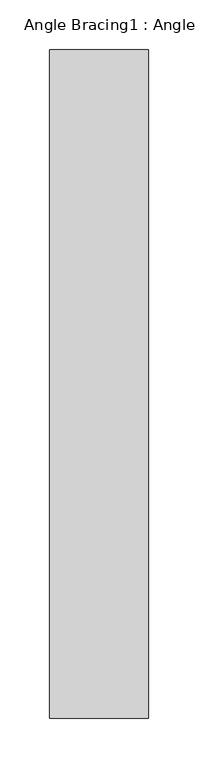
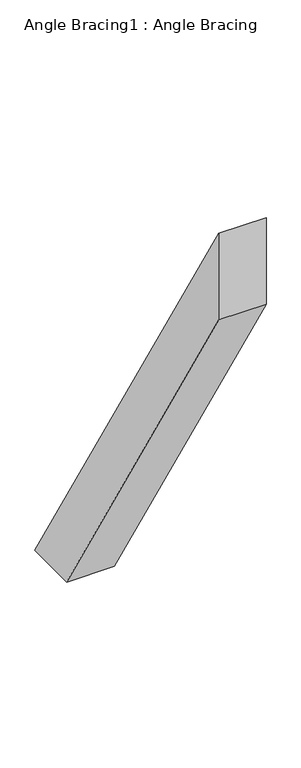
"""IFC4 building model written with IfcOpenShell, lengths in millimetres: proxy geometry, Angle Bracing1 : Angle Bracing."""

import ifcopenshell
import ifcopenshell.guid

model = None  # the IFC model being written
_history = None  # IfcOwnerHistory: only IFC2X3 demands one
_inside = {}  # id of a spatial element -> (the spatial element, [elements in it])
_under = {}  # id of a project, library or spatial element -> (it, [spatial elements below it])
_declared = {}  # id of a project -> (the project, [libraries it declares])
_typed = {}  # id of a type object -> (the type object, [elements of that type])
_made_of = {}  # id of a material, layer set ... -> (it, [elements and type objects made of it])


def new_model(schema):
    """Start an empty IFC model of exactly this schema.

    Asked for "IFC4X3", IfcOpenShell would pick the latest addendum, in which some entities
    have other attributes; the version numbers below select the first issue.
    IFC2X3 requires an IfcOwnerHistory on every rooted entity: one is made here for all.
    """
    global model, _history
    if schema == "IFC4X3":
        model = ifcopenshell.file(schema_version=(4, 3, 0, 0))
    else:
        model = ifcopenshell.file(schema=schema)
    _inside.clear()
    _under.clear()
    _declared.clear()
    _typed.clear()
    _made_of.clear()
    _history = None
    if model.schema == "IFC2X3":
        org = make("IfcOrganization", Name="unknown")
        user = make(
            "IfcPersonAndOrganization",
            ThePerson=make("IfcPerson", FamilyName="unknown"),
            TheOrganization=org,
        )
        app = make(
            "IfcApplication",
            ApplicationDeveloper=org,
            Version="unknown",
            ApplicationFullName="unknown",
            ApplicationIdentifier="unknown",
        )
        _history = make(
            "IfcOwnerHistory",
            OwningUser=user,
            OwningApplication=app,
            ChangeAction="ADDED",
            CreationDate=0,
        )
    return model


def make(cls, **values):
    """One entity of the class cls with the attributes given. An attribute that is None is left unset."""
    return model.create_entity(
        cls, **{name: value for name, value in values.items() if value is not None}
    )


def rooted(cls, **values):
    """An entity with a GlobalId (a new one), such as an element, a storey or a relation."""
    return make(cls, GlobalId=ifcopenshell.guid.new(), OwnerHistory=_history, **values)


def si_unit(unit_type, name, prefix=None):
    """IfcSIUnit, for example si_unit("LENGTHUNIT", "METRE", prefix="MILLI")."""
    return make("IfcSIUnit", UnitType=unit_type, Prefix=prefix, Name=name)


def assignment(units):
    """IfcUnitAssignment: the units of a project."""
    return None if units is None else make("IfcUnitAssignment", Units=units)


def point(xyz):
    """IfcCartesianPoint."""
    return None if xyz is None else make("IfcCartesianPoint", Coordinates=xyz)


def direction(xyz):
    """IfcDirection."""
    return None if xyz is None else make("IfcDirection", DirectionRatios=xyz)


def frame(location, z_axis=None, x_axis=None):
    """IfcAxis2Placement3D, a coordinate frame: its origin and axes. An axis left out is left unset."""
    return make(
        "IfcAxis2Placement3D",
        Location=point(location),
        Axis=direction(z_axis),
        RefDirection=direction(x_axis),
    )


def origin():
    """The frame at (0, 0, 0) with its axes left unset."""
    return frame((0.0, 0.0, 0.0))


def place(relative_to, where):
    """IfcLocalPlacement: puts the frame where relative to a parent placement (None: the world)."""
    return make(
        "IfcLocalPlacement", PlacementRelTo=relative_to, RelativePlacement=where
    )


def context(
    kind, dimensions, precision=None, world=None, true_north=None, identifier=None
):
    """IfcGeometricRepresentationContext, for example the 3D "Model" context."""
    return make(
        "IfcGeometricRepresentationContext",
        ContextIdentifier=identifier,
        ContextType=kind,
        CoordinateSpaceDimension=dimensions,
        Precision=precision,
        WorldCoordinateSystem=world,
        TrueNorth=true_north,
    )


def project(units=None, contexts=None):
    """IfcProject with its units and contexts."""
    return rooted(
        "IfcProject",
        Name="project",
        RepresentationContexts=contexts,
        UnitsInContext=assignment(units),
    )


def spatial(cls, under=None, at=None, **own):
    """A site, building, storey or space (cls), placed at a placement, below another one or the project."""
    s = rooted(cls, ObjectPlacement=at, **own)
    if under is not None:
        _under.setdefault(under.id(), (under, []))[1].append(s)
    return s


def polyline(points):
    """IfcPolyline through the points."""
    return make("IfcPolyline", Points=[point(p) for p in points])


def outline(outer, holes=None, kind="AREA"):
    """IfcArbitraryClosedProfileDef: a profile drawn as a closed curve; with holes, ...WithVoids."""
    if holes is None:
        return make("IfcArbitraryClosedProfileDef", ProfileType=kind, OuterCurve=outer)
    return make(
        "IfcArbitraryProfileDefWithVoids",
        ProfileType=kind,
        OuterCurve=outer,
        InnerCurves=holes,
    )


def extrude(swept, where, along, depth):
    """IfcExtrudedAreaSolid: the profile swept, set in the frame where, extruded along a direction by depth."""
    return make(
        "IfcExtrudedAreaSolid",
        SweptArea=swept,
        Position=where,
        ExtrudedDirection=direction(along),
        Depth=depth,
    )


def shape(context_of_items, identifier, shape_type, items):
    """IfcShapeRepresentation: the items that make up one representation, for example the "Body"."""
    return make(
        "IfcShapeRepresentation",
        ContextOfItems=context_of_items,
        RepresentationIdentifier=identifier,
        RepresentationType=shape_type,
        Items=items,
    )


def source(mapping_origin, context_of_items, identifier, shape_type, items):
    """IfcRepresentationMap: a shape defined once, which mapped items show again and again."""
    return make(
        "IfcRepresentationMap",
        MappingOrigin=mapping_origin,
        MappedRepresentation=shape(context_of_items, identifier, shape_type, items),
    )


def transform(
    local_origin,
    x_axis=None,
    y_axis=None,
    z_axis=None,
    scale=None,
    scale2=None,
    scale3=None,
    uniform=True,
):
    """IfcCartesianTransformationOperator3D, or its non-uniform kind. x_axis, y_axis, z_axis: its Axis1, 2, 3."""
    if uniform:
        return make(
            "IfcCartesianTransformationOperator3D",
            Axis1=direction(x_axis),
            Axis2=direction(y_axis),
            LocalOrigin=point(local_origin),
            Scale=scale,
            Axis3=direction(z_axis),
        )
    return make(
        "IfcCartesianTransformationOperator3DnonUniform",
        Axis1=direction(x_axis),
        Axis2=direction(y_axis),
        LocalOrigin=point(local_origin),
        Scale=scale,
        Axis3=direction(z_axis),
        Scale2=scale2,
        Scale3=scale3,
    )


def mapped(mapping_source, mapping_target):
    """IfcMappedItem: shows the shape of a source again, moved by a transform."""
    return make(
        "IfcMappedItem", MappingSource=mapping_source, MappingTarget=mapping_target
    )


def made_of(thing, what):
    """Note that an element or type object is made of a material, layer set ...; save() writes the relation."""
    if what is not None:
        _made_of.setdefault(what.id(), (what, []))[1].append(thing)
    return thing


def element(
    cls,
    number,
    at=None,
    inside=None,
    cuts=None,
    type_object=None,
    material=None,
    context=None,
    identifier="Body",
    shape_type=None,
    held_by="IfcProductDefinitionShape",
    body=None,
    shapes=None,
    **own,
):
    """One element of the class cls, such as IfcWall. Its Tag is "e" and its number.

    at: its placement. inside: the storey or other place that contains it. cuts: it is an
    opening in that element (IfcRelVoidsElement). A single representation is given by context,
    identifier, shape_type and body (its items); several are given by shapes. held_by: the class
    of the entity that holds the representations. save() writes the other relations.
    """
    e = rooted(cls, Tag="e%d" % number, ObjectPlacement=at, **own)
    if body is not None:
        shapes = [shape(context, identifier, shape_type, body)]
    if shapes is not None:
        e.Representation = make(held_by, Representations=shapes)
    if inside is not None:
        _inside.setdefault(inside.id(), (inside, []))[1].append(e)
    if cuts is not None:
        rooted(
            "IfcRelVoidsElement", RelatingBuildingElement=cuts, RelatedOpeningElement=e
        )
    if type_object is not None:
        _typed.setdefault(type_object.id(), (type_object, []))[1].append(e)
    return made_of(e, material)


def aggregate(whole, parts):
    """IfcRelAggregates: a whole, such as a stair, and the parts it consists of."""
    return rooted("IfcRelAggregates", RelatingObject=whole, RelatedObjects=parts)


def save(model, path):
    """Write the relations noted so far, then the file.

    IfcRelAggregates (storeys below a building ...), IfcRelContainedInSpatialStructure (elements
    in a storey), IfcRelDefinesByType, IfcRelAssociatesMaterial and IfcRelDeclares: one each for
    every whole, place, type object, material and project.
    """
    for whole, parts in _under.values():
        aggregate(whole, parts)
    for where, things in _inside.values():
        rooted(
            "IfcRelContainedInSpatialStructure",
            RelatedElements=things,
            RelatingStructure=where,
        )
    for kind, things in _typed.values():
        rooted("IfcRelDefinesByType", RelatedObjects=things, RelatingType=kind)
    for what, things in _made_of.values():
        rooted("IfcRelAssociatesMaterial", RelatedObjects=things, RelatingMaterial=what)
    for by, libraries in _declared.values():
        rooted("IfcRelDeclares", RelatingContext=by, RelatedDefinitions=libraries)
    model.write(path)


def angle_bracing1_angle_bracing_b8678d15(model_context):
    return source(origin(), model_context, "Body", "SweptSolid", [
        extrude(outline(polyline([(-1883.3789222, 800.0), (-1209.4994731, -318.0), (-1326.260464, -318.0), (-1883.3789222, 606.2876261), (-1883.3789222, 800.0)])), frame((4371.1801897, 0.0, 0.0), z_axis=(1.0, 0.0, 0.0), x_axis=(0.0, 1.0, 0.0)), (0.0, 0.0, 1.0), 100.0),
    ])


if __name__ == "__main__":
    model = new_model("IFC4")
    model_context = context("Model", 3, world=origin())
    ifc_project = project(units=[si_unit("LENGTHUNIT", "METRE", prefix="MILLI")], contexts=[model_context])
    site = spatial("IfcSite", under=ifc_project)
    building = spatial("IfcBuilding", under=site)
    placement = place(None, origin())
    angle_bracing1_angle_bracing_shape = angle_bracing1_angle_bracing_b8678d15(model_context)
    element("IfcBuildingElementProxy", 1, Name="Angle Bracing1 : Angle Bracing", ObjectType="Angle Bracing1 : Angle Bracing", at=placement, inside=building, context=model_context, shape_type="MappedRepresentation", body=[
        mapped(angle_bracing1_angle_bracing_shape, transform((0.0, 0.0, 0.0), x_axis=(1.0, 0.0, 0.0), y_axis=(0.0, 1.0, 0.0), z_axis=(0.0, 0.0, 1.0))),
    ])
    save(model, "model.ifc")
